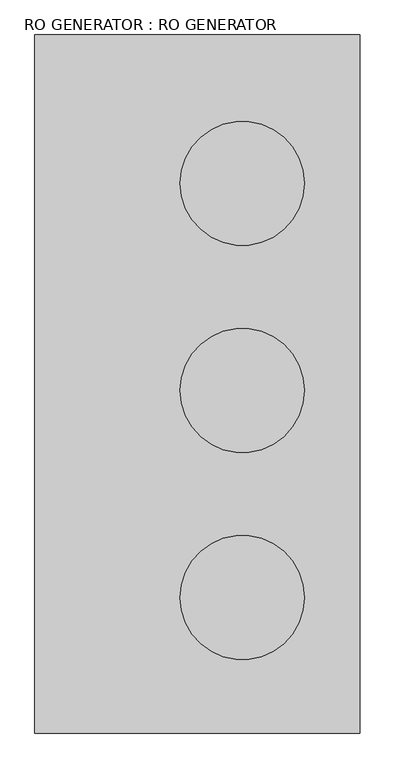
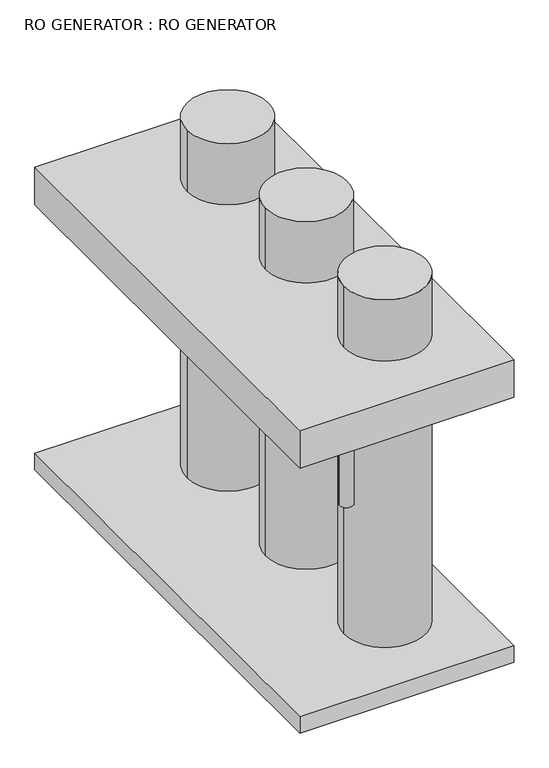
"""IFC4 building model written with IfcOpenShell, lengths in millimetres: proxy geometry, RO GENERATOR : RO GENERATOR."""

from ifc_helpers import new_model, si_unit, point, frame, frame_2d, origin, origin_with_axes, place, context, project, spatial, polyline, circle_curve, trimmed, segment, composite_curve, outline, extrude, source, transform, mapped, element, save


def ro_generator_ro_generator_b6b8db33(model_context):
    return source(origin(), model_context, "Body", "SweptSolid", [
        extrude(outline(composite_curve([segment(trimmed(circle_curve(frame_2d((-990.3251215, -90.5943976)), 25.4), [point((-1015.7251215, -90.5943976))], [point((-964.9251215, -90.5943976))], False, "CARTESIAN"), True, "CONTINUOUS"), segment(trimmed(circle_curve(frame_2d((-990.3251215, -90.5943976)), 25.4), [point((-964.9251215, -90.5943976))], [point((-1015.7251215, -90.5943976))], False, "CARTESIAN"), True, "CONTINUOUS")], self_intersect=False)), frame((0.0, 0.0, 766.5017062), z_axis=(0.0, 0.0, 1.0), x_axis=(1.0, 0.0, 0.0)), (0.0, 0.0, 1.0), 276.8195576),
        extrude(outline(composite_curve([segment(trimmed(circle_curve(frame_2d((-990.3251215, 1433.4056024)), 25.4), [point((-1015.7251215, 1433.4056024))], [point((-964.9251215, 1433.4056024))], False, "CARTESIAN"), True, "CONTINUOUS"), segment(trimmed(circle_curve(frame_2d((-990.3251215, 1433.4056024)), 25.4), [point((-964.9251215, 1433.4056024))], [point((-1015.7251215, 1433.4056024))], False, "CARTESIAN"), True, "CONTINUOUS")], self_intersect=False)), frame((0.0, 0.0, 766.5017062), z_axis=(0.0, 0.0, 1.0), x_axis=(1.0, 0.0, 0.0)), (0.0, 0.0, 1.0), 276.8195576),
        extrude(outline(composite_curve([segment(trimmed(circle_curve(frame_2d((-710.9251215, 143.9243676)), 152.4), [point((-863.3251215, 143.9243676))], [point((-558.5251215, 143.9243676))], False, "CARTESIAN"), True, "CONTINUOUS"), segment(trimmed(circle_curve(frame_2d((-710.9251215, 143.9243676)), 152.4), [point((-558.5251215, 143.9243676))], [point((-863.3251215, 143.9243676))], False, "CARTESIAN"), True, "CONTINUOUS")], self_intersect=False)), frame((0.0, 0.0, 1192.712339), z_axis=(0.0, 0.0, 1.0), x_axis=(1.0, 0.0, 0.0)), (0.0, 0.0, 1.0), 241.3808847),
        extrude(outline(composite_curve([segment(trimmed(circle_curve(frame_2d((-710.9251215, 143.9243676)), 152.4), [point((-863.3251215, 143.9243676))], [point((-558.5251215, 143.9243676))], False, "CARTESIAN"), True, "CONTINUOUS"), segment(trimmed(circle_curve(frame_2d((-710.9251215, 143.9243676)), 152.4), [point((-558.5251215, 143.9243676))], [point((-863.3251215, 143.9243676))], False, "CARTESIAN"), True, "CONTINUOUS")], self_intersect=False)), frame((0.0, 0.0, 63.9222148), z_axis=(0.0, 0.0, 1.0), x_axis=(1.0, 0.0, 0.0)), (0.0, 0.0, 1.0), 979.399049),
        extrude(outline(composite_curve([segment(trimmed(circle_curve(frame_2d((-710.9251215, 651.9243676)), 152.4), [point((-863.3251215, 651.9243676))], [point((-558.5251215, 651.9243676))], False, "CARTESIAN"), True, "CONTINUOUS"), segment(trimmed(circle_curve(frame_2d((-710.9251215, 651.9243676)), 152.4), [point((-558.5251215, 651.9243676))], [point((-863.3251215, 651.9243676))], False, "CARTESIAN"), True, "CONTINUOUS")], self_intersect=False)), frame((0.0, 0.0, 1192.712339), z_axis=(0.0, 0.0, 1.0), x_axis=(1.0, 0.0, 0.0)), (0.0, 0.0, 1.0), 241.3808847),
        extrude(outline(composite_curve([segment(trimmed(circle_curve(frame_2d((-710.9251215, 651.9243676)), 152.4), [point((-863.3251215, 651.9243676))], [point((-558.5251215, 651.9243676))], False, "CARTESIAN"), True, "CONTINUOUS"), segment(trimmed(circle_curve(frame_2d((-710.9251215, 651.9243676)), 152.4), [point((-558.5251215, 651.9243676))], [point((-863.3251215, 651.9243676))], False, "CARTESIAN"), True, "CONTINUOUS")], self_intersect=False)), frame((0.0, 0.0, 63.9222148), z_axis=(0.0, 0.0, 1.0), x_axis=(1.0, 0.0, 0.0)), (0.0, 0.0, 1.0), 979.399049),
        extrude(outline(composite_curve([segment(trimmed(circle_curve(frame_2d((-710.9251215, 1159.9243676)), 152.4), [point((-863.3251215, 1159.9243676))], [point((-558.5251215, 1159.9243676))], False, "CARTESIAN"), True, "CONTINUOUS"), segment(trimmed(circle_curve(frame_2d((-710.9251215, 1159.9243676)), 152.4), [point((-558.5251215, 1159.9243676))], [point((-863.3251215, 1159.9243676))], False, "CARTESIAN"), True, "CONTINUOUS")], self_intersect=False)), frame((0.0, 0.0, 1192.712339), z_axis=(0.0, 0.0, 1.0), x_axis=(1.0, 0.0, 0.0)), (0.0, 0.0, 1.0), 241.3808847),
        extrude(outline(polyline([(-421.8777762, -188.4062005), (-1220.3455104, -188.4062005), (-1220.3455104, 1524.0), (-421.8777762, 1524.0), (-421.8777762, -188.4062005)])), frame((0.0, 0.0, 1043.3212638), z_axis=(0.0, 0.0, 1.0), x_axis=(1.0, 0.0, 0.0)), (0.0, 0.0, 1.0), 149.3910752),
        extrude(outline(composite_curve([segment(trimmed(circle_curve(frame_2d((-710.9251215, 1159.9243676)), 152.4), [point((-863.3251215, 1159.9243676))], [point((-558.5251215, 1159.9243676))], False, "CARTESIAN"), True, "CONTINUOUS"), segment(trimmed(circle_curve(frame_2d((-710.9251215, 1159.9243676)), 152.4), [point((-558.5251215, 1159.9243676))], [point((-863.3251215, 1159.9243676))], False, "CARTESIAN"), True, "CONTINUOUS")], self_intersect=False)), frame((0.0, 0.0, 63.9222148), z_axis=(0.0, 0.0, 1.0), x_axis=(1.0, 0.0, 0.0)), (0.0, 0.0, 1.0), 979.399049),
        extrude(outline(polyline([(-421.8777762, -188.4062005), (-1220.3455104, -188.4062005), (-1220.3455104, 1524.0), (-421.8777762, 1524.0), (-421.8777762, -188.4062005)])), origin_with_axes(), (0.0, 0.0, 1.0), 63.9222148),
    ])


if __name__ == "__main__":
    model = new_model("IFC4")
    model_context = context("Model", 3, world=origin())
    ifc_project = project(units=[si_unit("LENGTHUNIT", "METRE", prefix="MILLI")], contexts=[model_context])
    site = spatial("IfcSite", under=ifc_project)
    building = spatial("IfcBuilding", under=site)
    placement = place(None, origin())
    ro_generator_ro_generator_shape = ro_generator_ro_generator_b6b8db33(model_context)
    element("IfcBuildingElementProxy", 1, Name="RO GENERATOR : RO GENERATOR", ObjectType="RO GENERATOR : RO GENERATOR", at=placement, inside=building, context=model_context, shape_type="MappedRepresentation", body=[
        mapped(ro_generator_ro_generator_shape, transform((0.0, 0.0, 0.0), x_axis=(1.0, 0.0, 0.0), y_axis=(0.0, 1.0, 0.0), z_axis=(0.0, 0.0, 1.0))),
    ])
    save(model, "model.ifc")
